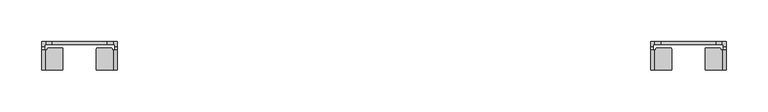
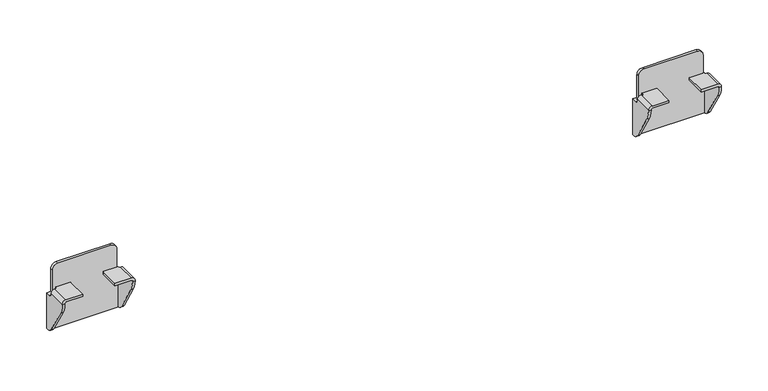
"""IFC4 building model written with IfcOpenShell, lengths in millimetres: furniture geometry."""

from ifc_helpers import new_model, si_unit, frame, origin, place, context, project, spatial, polyline, circle_curve, source, transform, mapped, element, save
from ifc_brep_helpers import plane_surface, cylinder_surface, revolved_surface, advanced_brep


def furniture_508d4765(model_context):
    return source(origin(), model_context, "Body", "AdvancedBrep", [
        advanced_brep(
        [(874.3999933, 1.06716, 620.0380983), (874.3999933, 4.1049999, 620.0380983), (869.3999987, 4.1049999, 620.0380983), (869.3999987, -1.6875933, 620.0380983), (872.4378311, -1.6875933, 620.0380983), (872.4378311, 1.06716, 620.0380983), (954.4000067, 4.1049999, 620.0380983), (954.4000067, 1.06716, 620.0380983), (956.3621689, 1.06716, 620.0380983), (956.3621689, -1.6875933, 620.0380983), (959.4000013, -1.6875933, 620.0380983), (959.4000013, 4.1049999, 620.0380983), (954.3999885, 4.1049999, 649.8381144), (954.3999885, 1.06716, 649.8381144), (947.3999979, 4.1049999, 656.838105), (947.3999979, 1.06716, 656.838105), (881.4000021, 4.1049999, 656.838105), (881.4000021, 1.06716, 656.838105), (874.3999933, 4.1049999, 649.8380962), (874.3999933, 1.06716, 649.8380962), (894.3999989, -29.5203411, 626.5001312), (894.3999989, -29.5203411, 629.5379545), (873.8425228, -29.5203411, 629.5379545), (869.3999987, -29.5203411, 625.0954304), (869.3999987, -29.5203411, 624.6295199), (872.4378311, -29.5203411, 624.6295199), (872.4378311, -29.5203411, 625.0357436), (873.9022188, -29.5203411, 626.5001312), (934.4000011, -29.5203411, 626.5001312), (954.8977812, -29.5203411, 626.5001312), (956.3621689, -29.5203411, 625.0357436), (956.3621689, -29.5203411, 624.6295199), (959.4000013, -29.5203411, 624.6295199), (959.4000013, -29.5203411, 625.0954304), (954.9574772, -29.5203411, 629.5379545), (934.4000011, -29.5203411, 629.5379545), (959.4000013, 4.1049999, 573.0381329), (869.3999987, 4.1049999, 573.0381329), (894.3999989, -4.3999769, 626.5001312), (894.3999989, -4.3999769, 629.5379545), (893.5203621, -3.5203401, 629.5379545), (876.637616, -3.5203401, 629.5379545), (875.8999926, -4.2579635, 629.5379545), (875.8999926, -5.4397153, 629.5379545), (875.3193678, -6.0203402, 629.5379545), (873.8425228, -6.0203402, 629.5379545), (869.3999987, -6.0203402, 625.0954304), (869.3999987, -6.0203402, 624.3708452), (869.3999987, 0.8823599, 573.0381329), (869.3999987, -5.9290326, 577.9183582), (869.3999987, -25.8702399, 611.375914), (872.4378311, 0.8823599, 573.0381329), (959.4000013, 0.8823599, 573.0381329), (956.3621689, 0.8823599, 573.0381329), (956.3621689, 1.06716, 573.0381329), (872.4378311, 1.06716, 573.0381329), (872.4378311, -25.8702399, 611.375914), (872.4378311, -5.9290326, 577.9183582), (872.4378311, -6.0203402, 624.3708452), (872.4378311, -6.0203402, 625.0357436), (873.9022188, -6.0203402, 626.5001312), (875.3193678, -6.0203402, 626.5001312), (875.8999926, -5.4397153, 626.5001312), (875.8999926, -4.2579635, 626.5001312), (876.637616, -3.5203401, 626.5001312), (893.5203621, -3.5203401, 626.5001312), (934.4000011, -4.3999769, 626.5001312), (935.2796379, -3.5203401, 626.5001312), (952.162384, -3.5203401, 626.5001312), (952.9000074, -4.2579635, 626.5001312), (952.9000074, -5.4397153, 626.5001312), (953.4806322, -6.0203402, 626.5001312), (954.8977812, -6.0203402, 626.5001312), (956.3621689, -6.0203402, 625.0357436), (956.3621689, -6.0203402, 624.3708452), (956.3621689, -5.9290326, 577.9183582), (956.3621689, -25.8702399, 611.375914), (959.4000013, -25.8702399, 611.375914), (959.4000013, -5.9290326, 577.9183582), (959.4000013, -6.0203402, 624.3708452), (959.4000013, -6.0203402, 625.0954304), (954.9574772, -6.0203402, 629.5379545), (953.4806322, -6.0203402, 629.5379545), (952.9000074, -5.4397153, 629.5379545), (952.9000074, -4.2579635, 629.5379545), (952.162384, -3.5203401, 629.5379545), (935.2796379, -3.5203401, 629.5379545), (934.4000011, -4.3999769, 629.5379545)],
        [
            (0, 1),
            (1, 2),
            (2, 3),
            (3, 4),
            (4, 5),
            (5, 0),
            (6, 7),
            (7, 8),
            (8, 9),
            (9, 10),
            (10, 11),
            (11, 6),
            (12, 13),
            (13, 7),
            (6, 12),
            (12, 14, circle_curve(frame((947.3999979, 4.1049999, 649.8381144), z_axis=(0.0, -1.0, 0.0), x_axis=(1.0, 0.0, 0.0)), 6.9999906)),
            (14, 15),
            (15, 13, circle_curve(frame((947.3999979, 1.06716, 649.8381144), z_axis=(0.0, 1.0, 0.0), x_axis=(1.0, 0.0, 0.0)), 6.9999906)),
            (14, 16),
            (16, 17),
            (17, 15),
            (16, 18, circle_curve(frame((881.4000021, 4.1049999, 649.8380962), z_axis=(0.0, -1.0, 0.0), x_axis=(1.0, 0.0, 0.0)), 7.0000088)),
            (18, 19),
            (19, 17, circle_curve(frame((881.4000021, 1.06716, 649.8380962), z_axis=(0.0, 1.0, 0.0), x_axis=(1.0, 0.0, 0.0)), 7.0000088)),
            (18, 1),
            (0, 19),
            (20, 21),
            (21, 22),
            (22, 23, circle_curve(frame((873.8425228, -29.5203411, 625.0954304), z_axis=(0.0, -1.0, 0.0), x_axis=(1.0, 0.0, 0.0)), 4.4425241)),
            (23, 24),
            (24, 25),
            (25, 26),
            (26, 27, circle_curve(frame((873.9022188, -29.5203411, 625.0357436), z_axis=(0.0, 1.0, 0.0), x_axis=(1.0, 0.0, 0.0)), 1.4643876)),
            (27, 20),
            (28, 29),
            (29, 30, circle_curve(frame((954.8977812, -29.5203411, 625.0357436), z_axis=(0.0, 1.0, 0.0), x_axis=(-1.0, 0.0, 0.0)), 1.4643876)),
            (30, 31),
            (31, 32),
            (32, 33),
            (33, 34, circle_curve(frame((954.9574772, -29.5203411, 625.0954304), z_axis=(0.0, -1.0, 0.0), x_axis=(-1.0, 0.0, 0.0)), 4.4425241)),
            (34, 35),
            (35, 28),
            (11, 36),
            (36, 37),
            (37, 2),
            (20, 38),
            (38, 39),
            (39, 21),
            (39, 40, circle_curve(frame((893.5203621, -4.3999769, 629.5379545), z_axis=(0.0, 0.0, 1.0), x_axis=(1.0, 0.0, 0.0)), 0.8796369)),
            (40, 41),
            (41, 42, circle_curve(frame((876.637616, -4.2579635, 629.5379545), z_axis=(0.0, 0.0, 1.0), x_axis=(1.0, 0.0, 0.0)), 0.7376234)),
            (42, 43),
            (43, 44, circle_curve(frame((875.3193678, -5.4397153, 629.5379545), z_axis=(0.0, 0.0, -1.0), x_axis=(1.0, 0.0, 0.0)), 0.5806249)),
            (44, 45),
            (45, 22),
            (45, 46, circle_curve(frame((873.8425228, -6.0203402, 625.0954304), z_axis=(0.0, -1.0, 0.0), x_axis=(1.0, 0.0, 0.0)), 4.4425241)),
            (46, 23),
            (46, 47),
            (47, 3, circle_curve(frame((869.3999987, -1.6875933, 624.3708452), z_axis=(1.0, 0.0, 0.0), x_axis=(0.0, -1.0, 0.0)), 4.3327469)),
            (37, 48),
            (48, 49, circle_curve(frame((869.3999987, 3.066225, 583.2796673), z_axis=(-1.0, 0.0, 0.0), x_axis=(0.0, -1.0, 0.0)), 10.4717856)),
            (49, 50),
            (50, 24, circle_curve(frame((869.3999987, -3.6332082, 624.6295199), z_axis=(-1.0, 0.0, 0.0), x_axis=(0.0, -1.0, 0.0)), 25.8871329)),
            (51, 48),
            (36, 52),
            (52, 53),
            (53, 54),
            (54, 55),
            (55, 51),
            (25, 56, circle_curve(frame((872.4378311, -3.6332082, 624.6295199), z_axis=(1.0, 0.0, 0.0), x_axis=(0.0, -1.0, 0.0)), 25.8871329)),
            (56, 57),
            (57, 51, circle_curve(frame((872.4378311, 3.066225, 583.2796673), z_axis=(1.0, 0.0, 0.0), x_axis=(0.0, -1.0, 0.0)), 10.4717856)),
            (55, 5),
            (4, 58, circle_curve(frame((872.4378311, -1.6875933, 624.3708452), z_axis=(-1.0, 0.0, 0.0), x_axis=(0.0, -1.0, 0.0)), 4.3327469)),
            (58, 59),
            (59, 26),
            (59, 60, circle_curve(frame((873.9022188, -6.0203402, 625.0357436), z_axis=(0.0, 1.0, 0.0), x_axis=(1.0, 0.0, 0.0)), 1.4643876)),
            (60, 27),
            (60, 61),
            (61, 62, circle_curve(frame((875.3193678, -5.4397153, 626.5001312), z_axis=(0.0, 0.0, 1.0), x_axis=(1.0, 0.0, 0.0)), 0.5806249)),
            (62, 63),
            (63, 64, circle_curve(frame((876.637616, -4.2579635, 626.5001312), z_axis=(0.0, 0.0, -1.0), x_axis=(1.0, 0.0, 0.0)), 0.7376234)),
            (64, 65),
            (65, 38, circle_curve(frame((893.5203621, -4.3999769, 626.5001312), z_axis=(0.0, 0.0, -1.0), x_axis=(1.0, 0.0, 0.0)), 0.8796369)),
            (28, 66),
            (66, 67, circle_curve(frame((935.2796379, -4.3999769, 626.5001312), z_axis=(0.0, 0.0, -1.0), x_axis=(-1.0, 0.0, 0.0)), 0.8796369)),
            (67, 68),
            (68, 69, circle_curve(frame((952.162384, -4.2579635, 626.5001312), z_axis=(0.0, 0.0, -1.0), x_axis=(-1.0, 0.0, 0.0)), 0.7376234)),
            (69, 70),
            (70, 71, circle_curve(frame((953.4806322, -5.4397153, 626.5001312), z_axis=(0.0, 0.0, 1.0), x_axis=(-1.0, 0.0, 0.0)), 0.5806249)),
            (71, 72),
            (72, 29),
            (72, 73, circle_curve(frame((954.8977812, -6.0203402, 625.0357436), z_axis=(0.0, 1.0, 0.0), x_axis=(-1.0, 0.0, 0.0)), 1.4643876)),
            (73, 30),
            (73, 74),
            (74, 9, circle_curve(frame((956.3621689, -1.6875933, 624.3708452), z_axis=(1.0, 0.0, 0.0), x_axis=(0.0, -1.0, 0.0)), 4.3327469)),
            (8, 54),
            (53, 75, circle_curve(frame((956.3621689, 3.066225, 583.2796673), z_axis=(-1.0, 0.0, 0.0), x_axis=(0.0, -1.0, 0.0)), 10.4717856)),
            (75, 76),
            (76, 31, circle_curve(frame((956.3621689, -3.6332082, 624.6295199), z_axis=(-1.0, 0.0, 0.0), x_axis=(0.0, -1.0, 0.0)), 25.8871329)),
            (32, 77, circle_curve(frame((959.4000013, -3.6332082, 624.6295199), z_axis=(1.0, 0.0, 0.0), x_axis=(0.0, -1.0, 0.0)), 25.8871329)),
            (77, 78),
            (78, 52, circle_curve(frame((959.4000013, 3.066225, 583.2796673), z_axis=(1.0, 0.0, 0.0), x_axis=(0.0, -1.0, 0.0)), 10.4717856)),
            (10, 79, circle_curve(frame((959.4000013, -1.6875933, 624.3708452), z_axis=(-1.0, 0.0, 0.0), x_axis=(0.0, -1.0, 0.0)), 4.3327469)),
            (79, 80),
            (80, 33),
            (80, 81, circle_curve(frame((954.9574772, -6.0203402, 625.0954304), z_axis=(0.0, -1.0, 0.0), x_axis=(-1.0, 0.0, 0.0)), 4.4425241)),
            (81, 34),
            (81, 82),
            (82, 83, circle_curve(frame((953.4806322, -5.4397153, 629.5379545), z_axis=(0.0, 0.0, -1.0), x_axis=(-1.0, 0.0, 0.0)), 0.5806249)),
            (83, 84),
            (84, 85, circle_curve(frame((952.162384, -4.2579635, 629.5379545), z_axis=(0.0, 0.0, 1.0), x_axis=(-1.0, 0.0, 0.0)), 0.7376234)),
            (85, 86),
            (86, 87, circle_curve(frame((935.2796379, -4.3999769, 629.5379545), z_axis=(0.0, 0.0, 1.0), x_axis=(-1.0, 0.0, 0.0)), 0.8796369)),
            (87, 35),
            (87, 66),
            (49, 57),
            (56, 50),
            (75, 78),
            (77, 76),
            (47, 58),
            (74, 79),
            (64, 41),
            (40, 65),
            (44, 61),
            (43, 62),
            (42, 63),
            (68, 85),
            (84, 69),
            (83, 70),
            (82, 71),
            (86, 67),
        ],
        [
            plane_surface(frame((873.2182251, 1.06716, 620.0380983), z_axis=(0.0, 0.0, 1.0), x_axis=(0.0, 1.0, 0.0))),
            plane_surface(frame((959.4000013, 1.06716, 620.0380983), z_axis=(0.0, 0.0, 1.0), x_axis=(0.0, 1.0, 0.0))),
            plane_surface(frame((954.3999885, 1.06716, 621.2198666), z_axis=(1.0, 0.0, 0.0), x_axis=(0.0, 1.0, 0.0))),
            cylinder_surface(frame((947.3999979, 4.1049999, 649.8381144), z_axis=(0.0, -1.0, 0.0), x_axis=(1.0, 0.0, 0.0)), 6.9999906),
            plane_surface(frame((947.3999979, 1.06716, 656.838105), z_axis=(0.0, 0.0, 1.0), x_axis=(0.0, 1.0, 0.0))),
            cylinder_surface(frame((881.4000021, 4.1049999, 649.8380962), z_axis=(0.0, -1.0, 0.0), x_axis=(1.0, 0.0, 0.0)), 7.0000088),
            plane_surface(frame((874.3999933, 1.06716, 649.8380962), z_axis=(-1.0, 0.0, 0.0), x_axis=(0.0, 1.0, 0.0))),
            plane_surface(frame((894.3999989, -29.5203411, 629.5379545), z_axis=(0.0, -1.0, 0.0), x_axis=(0.0, 0.0, 1.0))),
            plane_surface(frame((894.3999989, 4.1049999, 629.5379545), z_axis=(0.0, 1.0, 0.0), x_axis=(0.0, 0.0, -1.0))),
            plane_surface(frame((894.3999989, -29.5203411, 626.5001312), z_axis=(1.0, 0.0, 0.0), x_axis=(0.0, 1.0, 0.0))),
            plane_surface(frame((894.3999989, -29.5203411, 629.5379545), z_axis=(0.0, 0.0, 1.0), x_axis=(0.0, 1.0, 0.0))),
            cylinder_surface(frame((873.8425228, 4.1049999, 625.0954304), z_axis=(0.0, -1.0, 0.0), x_axis=(1.0, 0.0, 0.0)), 4.4425241),
            plane_surface(frame((869.3999987, -29.5203411, 625.0954304), z_axis=(-1.0, 0.0, 0.0), x_axis=(0.0, 1.0, 0.0))),
            plane_surface(frame((869.3999987, -29.5203411, 573.0381329), z_axis=(0.0, 0.0, -1.0), x_axis=(0.0, 1.0, 0.0))),
            plane_surface(frame((872.4378311, -29.5203411, 573.0381329), z_axis=(1.0, 0.0, 0.0), x_axis=(0.0, 1.0, 0.0))),
            revolved_surface(polyline([(875.3666064, -6.020340199999999, 625.0357436), (875.3666064, -29.5203411, 625.0357436)]), (873.9022188, 4.1049999, 625.0357436), (0.0, 1.0, 0.0)),
            plane_surface(frame((873.9022188, -29.5203411, 626.5001312), z_axis=(0.0, 0.0, -1.0), x_axis=(0.0, 1.0, 0.0))),
            plane_surface(frame((934.4000011, -29.5203411, 626.5001312), z_axis=(0.0, 0.0, -1.0), x_axis=(0.0, 1.0, 0.0))),
            revolved_surface(polyline([(953.4333936, -6.0203402, 625.0357436), (953.4333936, -29.5203411, 625.0357436)]), (954.8977812, 0.0, 625.0357436), (0.0, 1.0, 0.0)),
            plane_surface(frame((956.3621689, -29.5203411, 625.0357436), z_axis=(-1.0, 0.0, 0.0), x_axis=(0.0, 1.0, 0.0))),
            plane_surface(frame((959.4000013, -29.5203411, 573.0381329), z_axis=(1.0, 0.0, 0.0), x_axis=(0.0, 1.0, 0.0))),
            cylinder_surface(frame((954.9574772, 0.0, 625.0954304), z_axis=(0.0, -1.0, 0.0), x_axis=(-1.0, 0.0, 0.0)), 4.4425241),
            plane_surface(frame((954.9574772, -29.5203411, 629.5379545), z_axis=(0.0, 0.0, 1.0), x_axis=(0.0, 1.0, 0.0))),
            plane_surface(frame((934.4000011, -29.5203411, 629.5379545), z_axis=(-1.0, 0.0, 0.0), x_axis=(0.0, 1.0, 0.0))),
            plane_surface(frame((961.9335525, -5.9290326, 577.9183582), z_axis=(0.0, -0.8589994037788274, -0.5119765857025291), x_axis=(-1.0, 0.0, 0.0))),
            cylinder_surface(frame((867.1902719, -3.6332082, 624.6295199), z_axis=(-1.0, 0.0, 0.0), x_axis=(0.0, -1.0, 0.0)), 25.8871329),
            cylinder_surface(frame((867.1902719, 3.066225, 583.2796673), z_axis=(-1.0, 0.0, 0.0), x_axis=(0.0, -1.0, 0.0)), 10.4717856),
            revolved_surface(polyline([(872.4378311, -6.0203402, 624.3708452), (869.3999987, -6.0203402, 624.3708452)]), (867.1902719, -1.6875933, 624.3708452), (1.0, 0.0, 0.0)),
            revolved_surface(polyline([(956.3621689, -6.0203402, 624.3708452), (959.4000013, -6.0203402, 624.3708452)]), (961.6097281, -1.6875933, 624.3708452), (-1.0, 0.0, 0.0)),
            plane_surface(frame((876.637616, -3.5203401, 663.2138968), z_axis=(0.0, 1.0, 0.0), x_axis=(0.0, 0.0, -1.0))),
            cylinder_surface(frame((893.5203621, -4.3999769, 560.9501359), z_axis=(0.0, 0.0, -1.0), x_axis=(1.0, 0.0, 0.0)), 0.8796369),
            plane_surface(frame((894.3999989, 1.06716, 663.2138968), z_axis=(0.0, -1.0, 0.0), x_axis=(0.0, 0.0, -1.0))),
            plane_surface(frame((874.3999933, -6.0203402, 663.2138968), z_axis=(0.0, 1.0, 0.0), x_axis=(0.0, 0.0, -1.0))),
            revolved_surface(polyline([(875.8999927, -5.4397153, 629.5379545), (875.8999927, -5.4397153, 626.5001312)]), (875.3193678, -5.4397153, 560.9501359), (0.0, 0.0, 1.0)),
            plane_surface(frame((875.8999926, -5.4397153, 663.2138968), z_axis=(-1.0, 0.0, 0.0), x_axis=(0.0, 0.0, -1.0))),
            cylinder_surface(frame((876.637616, -4.2579635, 560.9501359), z_axis=(0.0, 0.0, -1.0), x_axis=(1.0, 0.0, 0.0)), 0.7376234),
            cylinder_surface(frame((952.162384, -4.2579635, 48.3485614), z_axis=(0.0, 0.0, -1.0), x_axis=(-1.0, 0.0, 0.0)), 0.7376234),
            plane_surface(frame((952.9000074, -4.2579635, 663.2138968), z_axis=(1.0, 0.0, 0.0), x_axis=(0.0, 0.0, -1.0))),
            revolved_surface(polyline([(952.9000073, -5.4397153, 629.5379545), (952.9000073, -5.4397153, 626.5001312)]), (953.4806322, -5.4397153, 48.3485614), (0.0, 0.0, 1.0)),
            plane_surface(frame((953.4806322, -6.0203402, 663.2138968), z_axis=(0.0, 1.0, 0.0), x_axis=(0.0, 0.0, -1.0))),
            cylinder_surface(frame((935.2796379, -4.3999769, 48.3485614), z_axis=(0.0, 0.0, -1.0), x_axis=(-1.0, 0.0, 0.0)), 0.8796369),
            plane_surface(frame((935.2796379, -3.5203401, 663.2138968), z_axis=(0.0, 1.0, 0.0), x_axis=(0.0, 0.0, -1.0))),
        ],
        [
            (0, [[1, 2, 3, 4, 5, 6]]),
            (1, [[7, 8, 9, 10, 11, 12]]),
            (2, [[13, 14, -7, 15]]),
            (3, [[16, 17, 18, -13]]),
            (4, [[19, 20, 21, -17]]),
            (5, [[22, 23, 24, -20]]),
            (6, [[-23, 25, -1, 26]]),
            (7, [[27, 28, 29, 30, 31, 32, 33, 34]]),
            (7, [[35, 36, 37, 38, 39, 40, 41, 42]]),
            (8, [[-22, -19, -16, -15, -12, 43, 44, 45, -2, -25]]),
            (9, [[-27, 46, 47, 48]]),
            (10, [[-28, -48, 49, 50, 51, 52, 53, 54, 55]]),
            (11, [[-29, -55, 56, 57]]),
            (12, [[-30, -57, 58, 59, -3, -45, 60, 61, 62, 63]]),
            (13, [[64, -60, -44, 65, 66, 67, 68, 69]]),
            (14, [[-32, 70, 71, 72, -69, 73, -5, 74, 75, 76]]),
            (15, [[-33, -76, 77, 78]]),
            (16, [[-34, -78, 79, 80, 81, 82, 83, 84, -46]]),
            (17, [[-35, 85, 86, 87, 88, 89, 90, 91, 92]]),
            (18, [[-36, -92, 93, 94]]),
            (19, [[-37, -94, 95, 96, -9, 97, -67, 98, 99, 100]]),
            (20, [[-39, 101, 102, 103, -65, -43, -11, 104, 105, 106]]),
            (21, [[-40, -106, 107, 108]]),
            (22, [[-41, -108, 109, 110, 111, 112, 113, 114, 115]]),
            (23, [[-42, -115, 116, -85]]),
            (24, [[117, -71, 118, -62]]),
            (24, [[119, -102, 120, -99]]),
            (25, [[-118, -70, -31, -63]]),
            (25, [[-120, -101, -38, -100]]),
            (26, [[-117, -61, -64, -72]]),
            (26, [[-119, -98, -66, -103]]),
            (27, [[121, -74, -4, -59]]),
            (28, [[122, -104, -10, -96]]),
            (29, [[123, -50, 124, -83]]),
            (30, [[-124, -49, -47, -84]]),
            (31, [[-14, -18, -21, -24, -26, -6, -73, -68, -97, -8]]),
            (32, [[125, -79, -77, -75, -121, -58, -56, -54]]),
            (33, [[-125, -53, 126, -80]]),
            (34, [[-126, -52, 127, -81]]),
            (35, [[-123, -82, -127, -51]]),
            (36, [[128, -112, 129, -88]]),
            (37, [[-129, -111, 130, -89]]),
            (38, [[-130, -110, 131, -90]]),
            (39, [[-131, -109, -107, -105, -122, -95, -93, -91]]),
            (40, [[132, -86, -116, -114]]),
            (41, [[-128, -87, -132, -113]]),
        ],
    ),
        advanced_brep(
        [(1679.7478062, 1.06716, 620.0380983), (1681.7099684, 1.06716, 620.0380983), (1681.7099684, -1.6875933, 620.0380983), (1684.7478008, -1.6875933, 620.0380983), (1684.7478008, 4.1049999, 620.0380983), (1679.7478062, 4.1049999, 620.0380983), (1599.7477929, 4.1049999, 620.0380983), (1594.7477983, 4.1049999, 620.0380983), (1594.7477983, -1.6875933, 620.0380983), (1597.7856307, -1.6875933, 620.0380983), (1597.7856307, 1.06716, 620.0380983), (1599.7477929, 1.06716, 620.0380983), (1599.747811, 4.1049999, 649.8381144), (1599.747811, 1.06716, 649.8381144), (1606.7478016, 1.06716, 656.838105), (1606.7478016, 4.1049999, 656.838105), (1672.7477974, 1.06716, 656.838105), (1672.7477974, 4.1049999, 656.838105), (1679.7478062, 1.06716, 649.8380962), (1679.7478062, 4.1049999, 649.8380962), (1659.7478006, -29.5203411, 626.5001312), (1680.2455808, -29.5203411, 626.5001312), (1681.7099684, -29.5203411, 625.0357436), (1681.7099684, -29.5203411, 624.6295199), (1684.7478008, -29.5203411, 624.6295199), (1684.7478008, -29.5203411, 625.0954304), (1680.3052767, -29.5203411, 629.5379545), (1659.7478006, -29.5203411, 629.5379545), (1619.7477985, -29.5203411, 626.5001312), (1619.7477985, -29.5203411, 629.5379545), (1599.1903224, -29.5203411, 629.5379545), (1594.7477983, -29.5203411, 625.0954304), (1594.7477983, -29.5203411, 624.6295199), (1597.7856307, -29.5203411, 624.6295199), (1597.7856307, -29.5203411, 625.0357436), (1599.2500183, -29.5203411, 626.5001312), (1684.7478008, 4.1049999, 573.0381329), (1594.7477983, 4.1049999, 573.0381329), (1659.7478006, -4.3999769, 629.5379545), (1659.7478006, -4.3999769, 626.5001312), (1680.3052767, -6.0203402, 629.5379545), (1678.8284318, -6.0203402, 629.5379545), (1678.2478069, -5.4397153, 629.5379545), (1678.2478069, -4.2579635, 629.5379545), (1677.5101835, -3.5203401, 629.5379545), (1660.6274375, -3.5203401, 629.5379545), (1684.7478008, -6.0203402, 625.0954304), (1684.7478008, -25.8702399, 611.375914), (1684.7478008, -5.9290326, 577.9183582), (1684.7478008, 0.8823599, 573.0381329), (1684.7478008, -6.0203402, 624.3708452), (1681.7099684, 0.8823599, 573.0381329), (1681.7099684, 1.06716, 573.0381329), (1597.7856307, 1.06716, 573.0381329), (1597.7856307, 0.8823599, 573.0381329), (1594.7477983, 0.8823599, 573.0381329), (1681.7099684, -6.0203402, 625.0357436), (1681.7099684, -6.0203402, 624.3708452), (1681.7099684, -5.9290326, 577.9183582), (1681.7099684, -25.8702399, 611.375914), (1680.2455808, -6.0203402, 626.5001312), (1660.6274375, -3.5203401, 626.5001312), (1677.5101835, -3.5203401, 626.5001312), (1678.2478069, -4.2579635, 626.5001312), (1678.2478069, -5.4397153, 626.5001312), (1678.8284318, -6.0203402, 626.5001312), (1599.2500183, -6.0203402, 626.5001312), (1600.6671673, -6.0203402, 626.5001312), (1601.2477921, -5.4397153, 626.5001312), (1601.2477921, -4.2579635, 626.5001312), (1601.9854155, -3.5203401, 626.5001312), (1618.8681616, -3.5203401, 626.5001312), (1619.7477985, -4.3999769, 626.5001312), (1597.7856307, -6.0203402, 625.0357436), (1597.7856307, -25.8702399, 611.375914), (1597.7856307, -5.9290326, 577.9183582), (1597.7856307, -6.0203402, 624.3708452), (1594.7477983, -6.0203402, 625.0954304), (1594.7477983, -6.0203402, 624.3708452), (1594.7477983, -5.9290326, 577.9183582), (1594.7477983, -25.8702399, 611.375914), (1599.1903224, -6.0203402, 629.5379545), (1619.7477985, -4.3999769, 629.5379545), (1618.8681616, -3.5203401, 629.5379545), (1601.9854155, -3.5203401, 629.5379545), (1601.2477921, -4.2579635, 629.5379545), (1601.2477921, -5.4397153, 629.5379545), (1600.6671673, -6.0203402, 629.5379545)],
        [
            (0, 1),
            (1, 2),
            (2, 3),
            (3, 4),
            (4, 5),
            (5, 0),
            (6, 7),
            (7, 8),
            (8, 9),
            (9, 10),
            (10, 11),
            (11, 6),
            (12, 6),
            (11, 13),
            (13, 12),
            (13, 14, circle_curve(frame((1606.7478016, 1.06716, 649.8381144), z_axis=(0.0, 1.0, 0.0), x_axis=(-1.0, 0.0, 0.0)), 6.9999906)),
            (14, 15),
            (15, 12, circle_curve(frame((1606.7478016, 4.1049999, 649.8381144), z_axis=(0.0, -1.0, 0.0), x_axis=(-1.0, 0.0, 0.0)), 6.9999906)),
            (14, 16),
            (16, 17),
            (17, 15),
            (16, 18, circle_curve(frame((1672.7477974, 1.06716, 649.8380962), z_axis=(0.0, 1.0, 0.0), x_axis=(-1.0, 0.0, 0.0)), 7.0000088)),
            (18, 19),
            (19, 17, circle_curve(frame((1672.7477974, 4.1049999, 649.8380962), z_axis=(0.0, -1.0, 0.0), x_axis=(-1.0, 0.0, 0.0)), 7.0000088)),
            (18, 0),
            (5, 19),
            (20, 21),
            (21, 22, circle_curve(frame((1680.2455808, -29.5203411, 625.0357436), z_axis=(0.0, 1.0, 0.0), x_axis=(-1.0, 0.0, 0.0)), 1.4643876)),
            (22, 23),
            (23, 24),
            (24, 25),
            (25, 26, circle_curve(frame((1680.3052767, -29.5203411, 625.0954304), z_axis=(0.0, -1.0, 0.0), x_axis=(-1.0, 0.0, 0.0)), 4.4425241)),
            (26, 27),
            (27, 20),
            (28, 29),
            (29, 30),
            (30, 31, circle_curve(frame((1599.1903224, -29.5203411, 625.0954304), z_axis=(0.0, -1.0, 0.0), x_axis=(1.0, 0.0, 0.0)), 4.4425241)),
            (31, 32),
            (32, 33),
            (33, 34),
            (34, 35, circle_curve(frame((1599.2500183, -29.5203411, 625.0357436), z_axis=(0.0, 1.0, 0.0), x_axis=(1.0, 0.0, 0.0)), 1.4643876)),
            (35, 28),
            (4, 36),
            (36, 37),
            (37, 7),
            (27, 38),
            (38, 39),
            (39, 20),
            (26, 40),
            (40, 41),
            (41, 42, circle_curve(frame((1678.8284318, -5.4397153, 629.5379545), z_axis=(0.0, 0.0, -1.0), x_axis=(-1.0, 0.0, 0.0)), 0.5806249)),
            (42, 43),
            (43, 44, circle_curve(frame((1677.5101835, -4.2579635, 629.5379545), z_axis=(0.0, 0.0, 1.0), x_axis=(-1.0, 0.0, 0.0)), 0.7376234)),
            (44, 45),
            (45, 38, circle_curve(frame((1660.6274375, -4.3999769, 629.5379545), z_axis=(0.0, 0.0, 1.0), x_axis=(-1.0, 0.0, 0.0)), 0.8796369)),
            (25, 46),
            (46, 40, circle_curve(frame((1680.3052767, -6.0203402, 625.0954304), z_axis=(0.0, -1.0, 0.0), x_axis=(-1.0, 0.0, 0.0)), 4.4425241)),
            (24, 47, circle_curve(frame((1684.7478008, -3.6332082, 624.6295199), z_axis=(1.0, 0.0, 0.0), x_axis=(0.0, -1.0, 0.0)), 25.8871329)),
            (47, 48),
            (48, 49, circle_curve(frame((1684.7478008, 3.066225, 583.2796673), z_axis=(1.0, 0.0, 0.0), x_axis=(0.0, -1.0, 0.0)), 10.4717856)),
            (49, 36),
            (3, 50, circle_curve(frame((1684.7478008, -1.6875933, 624.3708452), z_axis=(-1.0, 0.0, 0.0), x_axis=(0.0, -1.0, 0.0)), 4.3327469)),
            (50, 46),
            (51, 52),
            (52, 53),
            (53, 54),
            (54, 55),
            (55, 37),
            (49, 51),
            (22, 56),
            (56, 57),
            (57, 2, circle_curve(frame((1681.7099684, -1.6875933, 624.3708452), z_axis=(1.0, 0.0, 0.0), x_axis=(0.0, -1.0, 0.0)), 4.3327469)),
            (1, 52),
            (51, 58, circle_curve(frame((1681.7099684, 3.066225, 583.2796673), z_axis=(-1.0, 0.0, 0.0), x_axis=(0.0, -1.0, 0.0)), 10.4717856)),
            (58, 59),
            (59, 23, circle_curve(frame((1681.7099684, -3.6332082, 624.6295199), z_axis=(-1.0, 0.0, 0.0), x_axis=(0.0, -1.0, 0.0)), 25.8871329)),
            (21, 60),
            (60, 56, circle_curve(frame((1680.2455808, -6.0203402, 625.0357436), z_axis=(0.0, 1.0, 0.0), x_axis=(-1.0, 0.0, 0.0)), 1.4643876)),
            (39, 61, circle_curve(frame((1660.6274375, -4.3999769, 626.5001312), z_axis=(0.0, 0.0, -1.0), x_axis=(-1.0, 0.0, 0.0)), 0.8796369)),
            (61, 62),
            (62, 63, circle_curve(frame((1677.5101835, -4.2579635, 626.5001312), z_axis=(0.0, 0.0, -1.0), x_axis=(-1.0, 0.0, 0.0)), 0.7376234)),
            (63, 64),
            (64, 65, circle_curve(frame((1678.8284318, -5.4397153, 626.5001312), z_axis=(0.0, 0.0, 1.0), x_axis=(-1.0, 0.0, 0.0)), 0.5806249)),
            (65, 60),
            (35, 66),
            (66, 67),
            (67, 68, circle_curve(frame((1600.6671673, -5.4397153, 626.5001312), z_axis=(0.0, 0.0, 1.0), x_axis=(1.0, 0.0, 0.0)), 0.5806249)),
            (68, 69),
            (69, 70, circle_curve(frame((1601.9854155, -4.2579635, 626.5001312), z_axis=(0.0, 0.0, -1.0), x_axis=(1.0, 0.0, 0.0)), 0.7376234)),
            (70, 71),
            (71, 72, circle_curve(frame((1618.8681616, -4.3999769, 626.5001312), z_axis=(0.0, 0.0, -1.0), x_axis=(1.0, 0.0, 0.0)), 0.8796369)),
            (72, 28),
            (34, 73),
            (73, 66, circle_curve(frame((1599.2500183, -6.0203402, 625.0357436), z_axis=(0.0, 1.0, 0.0), x_axis=(1.0, 0.0, 0.0)), 1.4643876)),
            (33, 74, circle_curve(frame((1597.7856307, -3.6332082, 624.6295199), z_axis=(1.0, 0.0, 0.0), x_axis=(0.0, -1.0, 0.0)), 25.8871329)),
            (74, 75),
            (75, 54, circle_curve(frame((1597.7856307, 3.066225, 583.2796673), z_axis=(1.0, 0.0, 0.0), x_axis=(0.0, -1.0, 0.0)), 10.4717856)),
            (53, 10),
            (9, 76, circle_curve(frame((1597.7856307, -1.6875933, 624.3708452), z_axis=(-1.0, 0.0, 0.0), x_axis=(0.0, -1.0, 0.0)), 4.3327469)),
            (76, 73),
            (31, 77),
            (77, 78),
            (78, 8, circle_curve(frame((1594.7477983, -1.6875933, 624.3708452), z_axis=(1.0, 0.0, 0.0), x_axis=(0.0, -1.0, 0.0)), 4.3327469)),
            (55, 79, circle_curve(frame((1594.7477983, 3.066225, 583.2796673), z_axis=(-1.0, 0.0, 0.0), x_axis=(0.0, -1.0, 0.0)), 10.4717856)),
            (79, 80),
            (80, 32, circle_curve(frame((1594.7477983, -3.6332082, 624.6295199), z_axis=(-1.0, 0.0, 0.0), x_axis=(0.0, -1.0, 0.0)), 25.8871329)),
            (30, 81),
            (81, 77, circle_curve(frame((1599.1903224, -6.0203402, 625.0954304), z_axis=(0.0, -1.0, 0.0), x_axis=(1.0, 0.0, 0.0)), 4.4425241)),
            (29, 82),
            (82, 83, circle_curve(frame((1618.8681616, -4.3999769, 629.5379545), z_axis=(0.0, 0.0, 1.0), x_axis=(1.0, 0.0, 0.0)), 0.8796369)),
            (83, 84),
            (84, 85, circle_curve(frame((1601.9854155, -4.2579635, 629.5379545), z_axis=(0.0, 0.0, 1.0), x_axis=(1.0, 0.0, 0.0)), 0.7376234)),
            (85, 86),
            (86, 87, circle_curve(frame((1600.6671673, -5.4397153, 629.5379545), z_axis=(0.0, 0.0, -1.0), x_axis=(1.0, 0.0, 0.0)), 0.5806249)),
            (87, 81),
            (72, 82),
            (47, 59),
            (58, 48),
            (74, 80),
            (79, 75),
            (57, 50),
            (78, 76),
            (61, 45),
            (44, 62),
            (65, 41),
            (64, 42),
            (63, 43),
            (69, 85),
            (84, 70),
            (68, 86),
            (67, 87),
            (71, 83),
        ],
        [
            plane_surface(frame((1680.9295744, 1.06716, 620.0380983), z_axis=(0.0, 0.0, 1.0), x_axis=(0.0, 1.0, 0.0))),
            plane_surface(frame((1594.7477983, 1.06716, 620.0380983), z_axis=(0.0, 0.0, 1.0), x_axis=(0.0, 1.0, 0.0))),
            plane_surface(frame((1599.747811, 1.06716, 621.2198666), z_axis=(-1.0, 0.0, 0.0), x_axis=(0.0, 1.0, 0.0))),
            cylinder_surface(frame((1606.7478016, 4.1049999, 649.8381144), z_axis=(0.0, -1.0, 0.0), x_axis=(-1.0, 0.0, 0.0)), 6.9999906),
            plane_surface(frame((1606.7478016, 1.06716, 656.838105), z_axis=(0.0, 0.0, 1.0), x_axis=(0.0, 1.0, 0.0))),
            cylinder_surface(frame((1672.7477974, 4.1049999, 649.8380962), z_axis=(0.0, -1.0, 0.0), x_axis=(-1.0, 0.0, 0.0)), 7.0000088),
            plane_surface(frame((1679.7478062, 1.06716, 649.8380962), z_axis=(1.0, 0.0, 0.0), x_axis=(0.0, 1.0, 0.0))),
            plane_surface(frame((1659.7478006, -29.5203411, 629.5379545), z_axis=(0.0, -1.0, 0.0), x_axis=(0.0, 0.0, 1.0))),
            plane_surface(frame((1659.7478006, 4.1049999, 629.5379545), z_axis=(0.0, 1.0, 0.0), x_axis=(0.0, 0.0, -1.0))),
            plane_surface(frame((1659.7478006, -29.5203411, 626.5001312), z_axis=(-1.0, 0.0, 0.0), x_axis=(0.0, 1.0, 0.0))),
            plane_surface(frame((1659.7478006, -29.5203411, 629.5379545), z_axis=(0.0, 0.0, 1.0), x_axis=(0.0, 1.0, 0.0))),
            cylinder_surface(frame((1680.3052767, 4.1049999, 625.0954304), z_axis=(0.0, -1.0, 0.0), x_axis=(-1.0, 0.0, 0.0)), 4.4425241),
            plane_surface(frame((1684.7478008, -29.5203411, 625.0954304), z_axis=(1.0, 0.0, 0.0), x_axis=(0.0, 1.0, 0.0))),
            plane_surface(frame((1684.7478008, -29.5203411, 573.0381329), z_axis=(0.0, 0.0, -1.0), x_axis=(0.0, 1.0, 0.0))),
            plane_surface(frame((1681.7099684, -29.5203411, 573.0381329), z_axis=(-1.0, 0.0, 0.0), x_axis=(0.0, 1.0, 0.0))),
            revolved_surface(polyline([(1678.7811932, -6.020340199999999, 625.0357436), (1678.7811932, -29.5203411, 625.0357436)]), (1680.2455808, 4.1049999, 625.0357436), (0.0, 1.0, 0.0)),
            plane_surface(frame((1680.2455808, -29.5203411, 626.5001312), z_axis=(0.0, 0.0, -1.0), x_axis=(0.0, 1.0, 0.0))),
            plane_surface(frame((1619.7477985, -29.5203411, 626.5001312), z_axis=(0.0, 0.0, -1.0), x_axis=(0.0, 1.0, 0.0))),
            revolved_surface(polyline([(1600.7144059, -6.0203402, 625.0357436), (1600.7144059, -29.5203411, 625.0357436)]), (1599.2500183, 0.0, 625.0357436), (0.0, 1.0, 0.0)),
            plane_surface(frame((1597.7856307, -29.5203411, 625.0357436), z_axis=(1.0, 0.0, 0.0), x_axis=(0.0, 1.0, 0.0))),
            plane_surface(frame((1594.7477983, -29.5203411, 573.0381329), z_axis=(-1.0, 0.0, 0.0), x_axis=(0.0, 1.0, 0.0))),
            cylinder_surface(frame((1599.1903224, 0.0, 625.0954304), z_axis=(0.0, -1.0, 0.0), x_axis=(1.0, 0.0, 0.0)), 4.4425241),
            plane_surface(frame((1599.1903224, -29.5203411, 629.5379545), z_axis=(0.0, 0.0, 1.0), x_axis=(0.0, 1.0, 0.0))),
            plane_surface(frame((1619.7477985, -29.5203411, 629.5379545), z_axis=(1.0, 0.0, 0.0), x_axis=(0.0, 1.0, 0.0))),
            plane_surface(frame((1592.214247, -5.9290326, 577.9183582), z_axis=(0.0, -0.8589994037788274, -0.5119765857025291), x_axis=(1.0, 0.0, 0.0))),
            cylinder_surface(frame((1686.9575277, -3.6332082, 624.6295199), z_axis=(1.0, 0.0, 0.0), x_axis=(0.0, -1.0, 0.0)), 25.8871329),
            cylinder_surface(frame((1686.9575277, 3.066225, 583.2796673), z_axis=(1.0, 0.0, 0.0), x_axis=(0.0, -1.0, 0.0)), 10.4717856),
            revolved_surface(polyline([(1681.7099684, -6.0203402, 624.3708452), (1684.7478008, -6.0203402, 624.3708452)]), (1686.9575277, -1.6875933, 624.3708452), (-1.0, 0.0, 0.0)),
            revolved_surface(polyline([(1597.7856307, -6.0203402, 624.3708452), (1594.7477983, -6.0203402, 624.3708452)]), (1592.5380714, -1.6875933, 624.3708452), (1.0, 0.0, 0.0)),
            plane_surface(frame((1677.5101835, -3.5203401, 663.2138968), z_axis=(0.0, 1.0, 0.0), x_axis=(0.0, 0.0, -1.0))),
            cylinder_surface(frame((1660.6274375, -4.3999769, 560.9501359), z_axis=(0.0, 0.0, -1.0), x_axis=(-1.0, 0.0, 0.0)), 0.8796369),
            plane_surface(frame((1659.7478006, 1.06716, 663.2138968), z_axis=(0.0, -1.0, 0.0), x_axis=(0.0, 0.0, -1.0))),
            plane_surface(frame((1679.7478062, -6.0203402, 663.2138968), z_axis=(0.0, 1.0, 0.0), x_axis=(0.0, 0.0, -1.0))),
            revolved_surface(polyline([(1678.2478069000001, -5.4397153, 629.5379545), (1678.2478069000001, -5.4397153, 626.5001312)]), (1678.8284318, -5.4397153, 560.9501359), (0.0, 0.0, 1.0)),
            plane_surface(frame((1678.2478069, -5.4397153, 663.2138968), z_axis=(1.0, 0.0, 0.0), x_axis=(0.0, 0.0, -1.0))),
            cylinder_surface(frame((1677.5101835, -4.2579635, 560.9501359), z_axis=(0.0, 0.0, -1.0), x_axis=(-1.0, 0.0, 0.0)), 0.7376234),
            cylinder_surface(frame((1601.9854155, -4.2579635, 48.3485614), z_axis=(0.0, 0.0, -1.0), x_axis=(1.0, 0.0, 0.0)), 0.7376234),
            plane_surface(frame((1601.2477921, -4.2579635, 663.2138968), z_axis=(-1.0, 0.0, 0.0), x_axis=(0.0, 0.0, -1.0))),
            revolved_surface(polyline([(1601.2477922, -5.4397153, 629.5379545), (1601.2477922, -5.4397153, 626.5001312)]), (1600.6671673, -5.4397153, 48.3485614), (0.0, 0.0, 1.0)),
            plane_surface(frame((1600.6671673, -6.0203402, 663.2138968), z_axis=(0.0, 1.0, 0.0), x_axis=(0.0, 0.0, -1.0))),
            cylinder_surface(frame((1618.8681616, -4.3999769, 48.3485614), z_axis=(0.0, 0.0, -1.0), x_axis=(1.0, 0.0, 0.0)), 0.8796369),
            plane_surface(frame((1618.8681616, -3.5203401, 663.2138968), z_axis=(0.0, 1.0, 0.0), x_axis=(0.0, 0.0, -1.0))),
        ],
        [
            (0, [[1, 2, 3, 4, 5, 6]]),
            (1, [[7, 8, 9, 10, 11, 12]]),
            (2, [[13, -12, 14, 15]]),
            (3, [[-15, 16, 17, 18]]),
            (4, [[-17, 19, 20, 21]]),
            (5, [[-20, 22, 23, 24]]),
            (6, [[25, -6, 26, -23]]),
            (7, [[27, 28, 29, 30, 31, 32, 33, 34]]),
            (7, [[35, 36, 37, 38, 39, 40, 41, 42]]),
            (8, [[-26, -5, 43, 44, 45, -7, -13, -18, -21, -24]]),
            (9, [[46, 47, 48, -34]]),
            (10, [[49, 50, 51, 52, 53, 54, 55, -46, -33]]),
            (11, [[56, 57, -49, -32]]),
            (12, [[58, 59, 60, 61, -43, -4, 62, 63, -56, -31]]),
            (13, [[64, 65, 66, 67, 68, -44, -61, 69]]),
            (14, [[70, 71, 72, -2, 73, -64, 74, 75, 76, -29]]),
            (15, [[77, 78, -70, -28]]),
            (16, [[-48, 79, 80, 81, 82, 83, 84, -77, -27]]),
            (17, [[85, 86, 87, 88, 89, 90, 91, 92, -42]]),
            (18, [[93, 94, -85, -41]]),
            (19, [[95, 96, 97, -66, 98, -10, 99, 100, -93, -40]]),
            (20, [[101, 102, 103, -8, -45, -68, 104, 105, 106, -38]]),
            (21, [[107, 108, -101, -37]]),
            (22, [[109, 110, 111, 112, 113, 114, 115, -107, -36]]),
            (23, [[-92, 116, -109, -35]]),
            (24, [[-59, 117, -75, 118]]),
            (24, [[-96, 119, -105, 120]]),
            (25, [[-58, -30, -76, -117]]),
            (25, [[-95, -39, -106, -119]]),
            (26, [[-74, -69, -60, -118]]),
            (26, [[-104, -67, -97, -120]]),
            (27, [[-62, -3, -72, 121]]),
            (28, [[-99, -9, -103, 122]]),
            (29, [[-80, 123, -54, 124]]),
            (30, [[-79, -47, -55, -123]]),
            (31, [[-11, -98, -65, -73, -1, -25, -22, -19, -16, -14]]),
            (32, [[-50, -57, -63, -121, -71, -78, -84, 125]]),
            (33, [[-83, 126, -51, -125]]),
            (34, [[-82, 127, -52, -126]]),
            (35, [[-53, -127, -81, -124]]),
            (36, [[-89, 128, -112, 129]]),
            (37, [[-88, 130, -113, -128]]),
            (38, [[-87, 131, -114, -130]]),
            (39, [[-86, -94, -100, -122, -102, -108, -115, -131]]),
            (40, [[-110, -116, -91, 132]]),
            (41, [[-111, -132, -90, -129]]),
        ],
    ),
    ])


if __name__ == "__main__":
    model = new_model("IFC4")
    model_context = context("Model", 3, world=origin())
    ifc_project = project(units=[si_unit("LENGTHUNIT", "METRE", prefix="MILLI")], contexts=[model_context])
    site = spatial("IfcSite", under=ifc_project)
    building = spatial("IfcBuilding", under=site)
    placement = place(None, origin())
    furniture_shape = furniture_508d4765(model_context)
    element("IfcFurniture", 1, at=placement, inside=building, context=model_context, shape_type="MappedRepresentation", body=[
        mapped(furniture_shape, transform((0.0, 0.0, 0.0), x_axis=(1.0, 0.0, 0.0), y_axis=(0.0, 1.0, 0.0), z_axis=(0.0, 0.0, 1.0))),
    ])
    save(model, "model.ifc")
